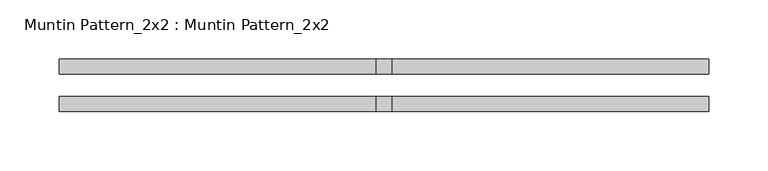
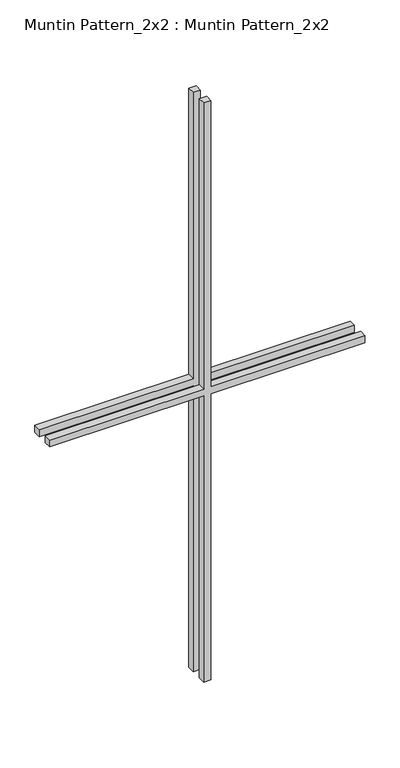
"""IFC4 building model written with IfcOpenShell, lengths in millimetres: proxy geometry, Muntin Pattern_2x2 : Muntin Pattern_2x2."""

from ifc_helpers import new_model, si_unit, frame, origin, place, context, project, spatial, polyline, outline, extrude, source, transform, mapped, element, save


def muntin_pattern_2x2_muntin_pattern_2x2_71a6ddc5(model_context):
    return source(origin(), model_context, "Body", "SweptSolid", [
        extrude(outline(polyline([(539.75, -6.35), (539.75, -274.6375), (527.05, -274.6375), (527.05, -6.35), (0.0, -6.35), (0.0, 6.35), (527.05, 6.35), (527.05, 274.6375), (539.75, 274.6375), (539.75, 6.35), (1066.8, 6.35), (1066.8, -6.35), (539.75, -6.35)])), frame((0.0, -22.225, 0.0), z_axis=(0.0, 1.0, 0.0), x_axis=(0.0, 0.0, 1.0)), (0.0, 0.0, 1.0), 12.7),
        extrude(outline(polyline([(539.75, -6.35), (539.75, -274.6375), (527.05, -274.6375), (527.05, -6.35), (0.0, -6.35), (0.0, 6.35), (527.05, 6.35), (527.05, 274.6375), (539.75, 274.6375), (539.75, 6.35), (1066.8, 6.35), (1066.8, -6.35), (539.75, -6.35)])), frame((0.0, 9.525, 0.0), z_axis=(0.0, 1.0, 0.0), x_axis=(0.0, 0.0, 1.0)), (0.0, 0.0, 1.0), 12.7),
    ])


if __name__ == "__main__":
    model = new_model("IFC4")
    model_context = context("Model", 3, world=origin())
    ifc_project = project(units=[si_unit("LENGTHUNIT", "METRE", prefix="MILLI")], contexts=[model_context])
    site = spatial("IfcSite", under=ifc_project)
    building = spatial("IfcBuilding", under=site)
    placement = place(None, origin())
    muntin_pattern_2x2_muntin_pattern_2x2_shape = muntin_pattern_2x2_muntin_pattern_2x2_71a6ddc5(model_context)
    element("IfcBuildingElementProxy", 1, Name="Muntin Pattern_2x2 : Muntin Pattern_2x2", ObjectType="Muntin Pattern_2x2 : Muntin Pattern_2x2", at=placement, inside=building, context=model_context, shape_type="MappedRepresentation", body=[
        mapped(muntin_pattern_2x2_muntin_pattern_2x2_shape, transform((0.0, 0.0, 0.0), x_axis=(1.0, 0.0, 0.0), y_axis=(0.0, 1.0, 0.0), z_axis=(0.0, 0.0, 1.0))),
    ])
    save(model, "model.ifc")
